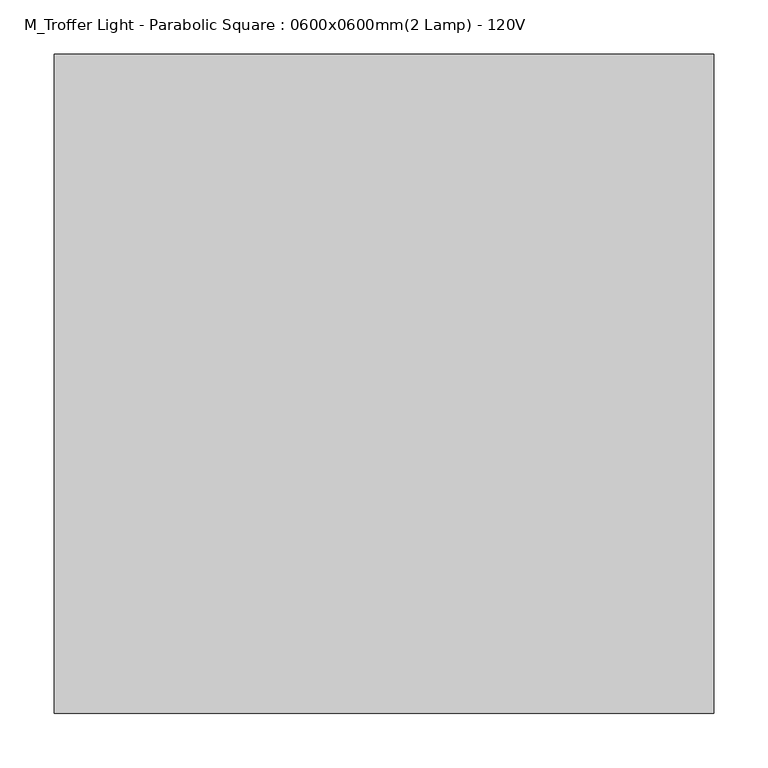
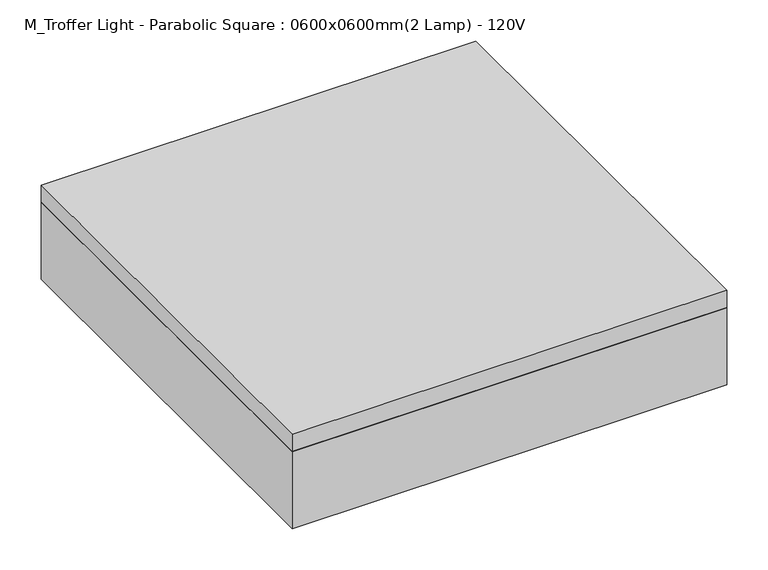
"""IFC4 building model written with IfcOpenShell, lengths in millimetres: light fixture geometry, M_Troffer Light - Parabolic Square : 0600x0600mm(2 Lamp) - 120V."""

from ifc_helpers import new_model, si_unit, frame, origin, place, context, project, spatial, polyline, outline, extrude, source, transform, mapped, element, save


def m_troffer_light_parabolic_square_0600x0600mm_2_lamp_120v_42650cf3(model_context):
    return source(origin(), model_context, "Body", "SweptSolid", [
        extrude(outline(polyline([(260.6964984, 219.9340679), (260.6964984, -338.8659321), (-298.1035016, -338.8659321), (-298.1035016, 219.9340679), (260.6964984, 219.9340679)]), holes=[polyline([(-113.9535016, 35.7840679), (-113.9535016, 213.5840679), (-291.7535016, 213.5840679), (-291.7535016, 35.7840679), (-113.9535016, 35.7840679)]), polyline([(-113.9535016, -148.3659321), (-113.9535016, 29.4340679), (-291.7535016, 29.4340679), (-291.7535016, -148.3659321), (-113.9535016, -148.3659321)]), polyline([(-113.9535016, -154.7159321), (-291.7535016, -154.7159321), (-291.7535016, -332.5159321), (-113.9535016, -332.5159321), (-113.9535016, -154.7159321)]), polyline([(70.1964984, 35.7840679), (70.1964984, 213.5840679), (-107.6035016, 213.5840679), (-107.6035016, 35.7840679), (70.1964984, 35.7840679)]), polyline([(70.1964984, -148.3659321), (70.1964984, 29.4340679), (-107.6035016, 29.4340679), (-107.6035016, -148.3659321), (70.1964984, -148.3659321)]), polyline([(70.1964984, -154.7159321), (-107.6035016, -154.7159321), (-107.6035016, -332.5159321), (70.1964984, -332.5159321), (70.1964984, -154.7159321)]), polyline([(254.3464984, 35.7840679), (254.3464984, 213.5840679), (76.5464984, 213.5840679), (76.5464984, 35.7840679), (254.3464984, 35.7840679)]), polyline([(254.3464984, -148.3659321), (254.3464984, 29.4340679), (76.5464984, 29.4340679), (76.5464984, -148.3659321), (254.3464984, -148.3659321)]), polyline([(254.3464984, -154.7159321), (76.5464984, -154.7159321), (76.5464984, -332.5159321), (254.3464984, -332.5159321), (254.3464984, -154.7159321)])]), frame((0.0, 0.0, 2438.4), z_axis=(0.0, 0.0, 1.0), x_axis=(1.0, 0.0, 0.0)), (0.0, 0.0, 1.0), 3.175),
        extrude(outline(polyline([(260.6964984, 219.9340679), (260.6964984, -338.8659321), (-298.1035016, -338.8659321), (-298.1035016, 219.9340679), (260.6964984, 219.9340679)])), frame((0.0, 0.0, 2514.6), z_axis=(0.0, 0.0, 1.0), x_axis=(1.0, 0.0, 0.0)), (0.0, 0.0, 1.0), 6.35),
        extrude(outline(polyline([(260.6964984, 219.9340679), (260.6964984, -338.8659321), (-298.1035016, -338.8659321), (-298.1035016, 219.9340679), (260.6964984, 219.9340679)]), holes=[polyline([(-113.9535016, 35.7840679), (-113.9535016, 213.5840679), (-291.7535016, 213.5840679), (-291.7535016, 35.7840679), (-113.9535016, 35.7840679)]), polyline([(-113.9535016, -148.3659321), (-113.9535016, 29.4340679), (-291.7535016, 29.4340679), (-291.7535016, -148.3659321), (-113.9535016, -148.3659321)]), polyline([(-113.9535016, -154.7159321), (-291.7535016, -154.7159321), (-291.7535016, -332.5159321), (-113.9535016, -332.5159321), (-113.9535016, -154.7159321)]), polyline([(70.1964984, 35.7840679), (70.1964984, 213.5840679), (-107.6035016, 213.5840679), (-107.6035016, 35.7840679), (70.1964984, 35.7840679)]), polyline([(70.1964984, -148.3659321), (70.1964984, 29.4340679), (-107.6035016, 29.4340679), (-107.6035016, -148.3659321), (70.1964984, -148.3659321)]), polyline([(70.1964984, -154.7159321), (-107.6035016, -154.7159321), (-107.6035016, -332.5159321), (70.1964984, -332.5159321), (70.1964984, -154.7159321)]), polyline([(254.3464984, 35.7840679), (254.3464984, 213.5840679), (76.5464984, 213.5840679), (76.5464984, 35.7840679), (254.3464984, 35.7840679)]), polyline([(254.3464984, -148.3659321), (254.3464984, 29.4340679), (76.5464984, 29.4340679), (76.5464984, -148.3659321), (254.3464984, -148.3659321)]), polyline([(254.3464984, -154.7159321), (76.5464984, -154.7159321), (76.5464984, -332.5159321), (254.3464984, -332.5159321), (254.3464984, -154.7159321)])]), frame((0.0, 0.0, 2441.575), z_axis=(0.0, 0.0, 1.0), x_axis=(1.0, 0.0, 0.0)), (0.0, 0.0, 1.0), 47.625),
        extrude(outline(polyline([(286.0964984, 245.3340679), (286.0964984, -364.2659321), (-323.5035016, -364.2659321), (-323.5035016, 245.3340679), (286.0964984, 245.3340679)]), holes=[polyline([(260.6964984, 219.9340679), (-298.1035016, 219.9340679), (-298.1035016, -338.8659321), (260.6964984, -338.8659321), (260.6964984, 219.9340679)])]), frame((0.0, 0.0, 2438.4), z_axis=(0.0, 0.0, 1.0), x_axis=(1.0, 0.0, 0.0)), (0.0, 0.0, 1.0), 114.3),
        extrude(outline(polyline([(286.0964984, 245.3340679), (286.0964984, -364.2659321), (-323.5035016, -364.2659321), (-323.5035016, 245.3340679), (286.0964984, 245.3340679)])), frame((0.0, 0.0, 2552.7), z_axis=(0.0, 0.0, 1.0), x_axis=(1.0, 0.0, 0.0)), (0.0, 0.0, 1.0), 25.4),
    ])


if __name__ == "__main__":
    model = new_model("IFC4")
    model_context = context("Model", 3, world=origin())
    ifc_project = project(units=[si_unit("LENGTHUNIT", "METRE", prefix="MILLI")], contexts=[model_context])
    site = spatial("IfcSite", under=ifc_project)
    building = spatial("IfcBuilding", under=site)
    placement = place(None, origin())
    m_troffer_light_parabolic_square_0600x0600mm_2_lamp_120v_shape = m_troffer_light_parabolic_square_0600x0600mm_2_lamp_120v_42650cf3(model_context)
    element("IfcLightFixture", 1, ObjectType="M_Troffer Light - Parabolic Square : 0600x0600mm(2 Lamp) - 120V", at=placement, inside=building, context=model_context, shape_type="MappedRepresentation", body=[
        mapped(m_troffer_light_parabolic_square_0600x0600mm_2_lamp_120v_shape, transform((0.0, 0.0, 0.0), x_axis=(1.0, 0.0, 0.0), y_axis=(0.0, 1.0, 0.0), z_axis=(0.0, 0.0, 1.0))),
    ])
    save(model, "model.ifc")
